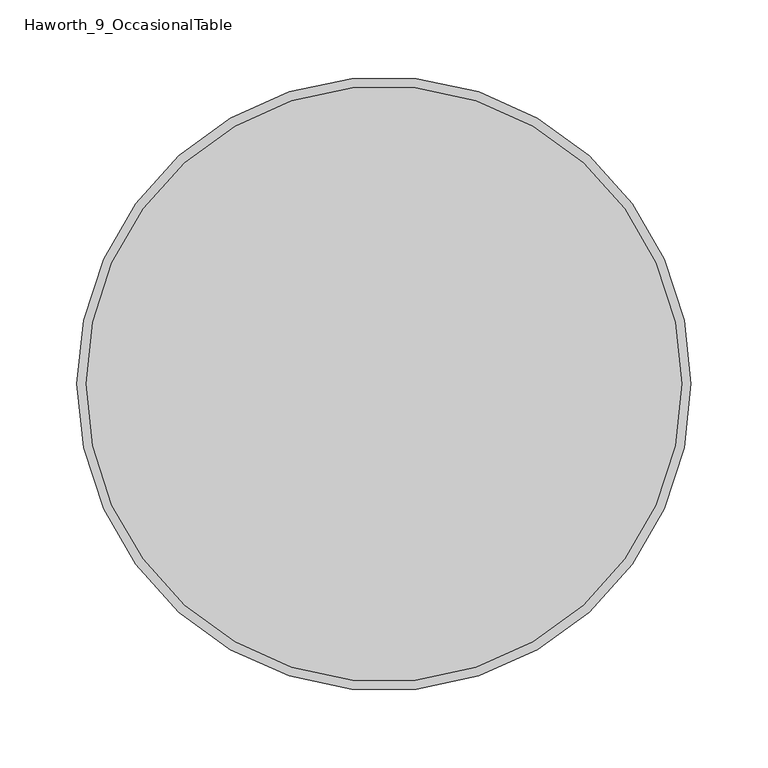
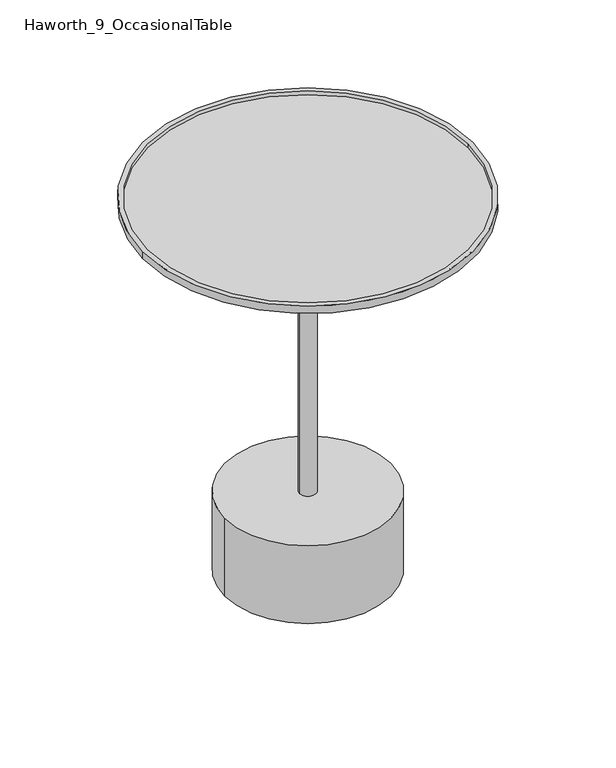
"""IFC4 building model written with IfcOpenShell, lengths in millimetres: furniture geometry, Haworth_9_OccasionalTable."""

import ifcopenshell
import ifcopenshell.guid

model = None  # the IFC model being written
_history = None  # IfcOwnerHistory: only IFC2X3 demands one
_inside = {}  # id of a spatial element -> (the spatial element, [elements in it])
_under = {}  # id of a project, library or spatial element -> (it, [spatial elements below it])
_declared = {}  # id of a project -> (the project, [libraries it declares])
_typed = {}  # id of a type object -> (the type object, [elements of that type])
_made_of = {}  # id of a material, layer set ... -> (it, [elements and type objects made of it])


def new_model(schema):
    """Start an empty IFC model of exactly this schema.

    Asked for "IFC4X3", IfcOpenShell would pick the latest addendum, in which some entities
    have other attributes; the version numbers below select the first issue.
    IFC2X3 requires an IfcOwnerHistory on every rooted entity: one is made here for all.
    """
    global model, _history
    if schema == "IFC4X3":
        model = ifcopenshell.file(schema_version=(4, 3, 0, 0))
    else:
        model = ifcopenshell.file(schema=schema)
    _inside.clear()
    _under.clear()
    _declared.clear()
    _typed.clear()
    _made_of.clear()
    _history = None
    if model.schema == "IFC2X3":
        org = make("IfcOrganization", Name="unknown")
        user = make(
            "IfcPersonAndOrganization",
            ThePerson=make("IfcPerson", FamilyName="unknown"),
            TheOrganization=org,
        )
        app = make(
            "IfcApplication",
            ApplicationDeveloper=org,
            Version="unknown",
            ApplicationFullName="unknown",
            ApplicationIdentifier="unknown",
        )
        _history = make(
            "IfcOwnerHistory",
            OwningUser=user,
            OwningApplication=app,
            ChangeAction="ADDED",
            CreationDate=0,
        )
    return model


def make(cls, **values):
    """One entity of the class cls with the attributes given. An attribute that is None is left unset."""
    return model.create_entity(
        cls, **{name: value for name, value in values.items() if value is not None}
    )


def rooted(cls, **values):
    """An entity with a GlobalId (a new one), such as an element, a storey or a relation."""
    return make(cls, GlobalId=ifcopenshell.guid.new(), OwnerHistory=_history, **values)


def si_unit(unit_type, name, prefix=None):
    """IfcSIUnit, for example si_unit("LENGTHUNIT", "METRE", prefix="MILLI")."""
    return make("IfcSIUnit", UnitType=unit_type, Prefix=prefix, Name=name)


def assignment(units):
    """IfcUnitAssignment: the units of a project."""
    return None if units is None else make("IfcUnitAssignment", Units=units)


def point(xyz):
    """IfcCartesianPoint."""
    return None if xyz is None else make("IfcCartesianPoint", Coordinates=xyz)


def direction(xyz):
    """IfcDirection."""
    return None if xyz is None else make("IfcDirection", DirectionRatios=xyz)


def frame(location, z_axis=None, x_axis=None):
    """IfcAxis2Placement3D, a coordinate frame: its origin and axes. An axis left out is left unset."""
    return make(
        "IfcAxis2Placement3D",
        Location=point(location),
        Axis=direction(z_axis),
        RefDirection=direction(x_axis),
    )


def frame_2d(location, x_axis=None):
    """IfcAxis2Placement2D, a coordinate frame in the plane: its origin and x axis."""
    return make(
        "IfcAxis2Placement2D", Location=point(location), RefDirection=direction(x_axis)
    )


def origin():
    """The frame at (0, 0, 0) with its axes left unset."""
    return frame((0.0, 0.0, 0.0))


def origin_with_axes():
    """The frame at (0, 0, 0) with the z axis (0, 0, 1) and the x axis (1, 0, 0) written out."""
    return frame((0.0, 0.0, 0.0), z_axis=(0.0, 0.0, 1.0), x_axis=(1.0, 0.0, 0.0))


def place(relative_to, where):
    """IfcLocalPlacement: puts the frame where relative to a parent placement (None: the world)."""
    return make(
        "IfcLocalPlacement", PlacementRelTo=relative_to, RelativePlacement=where
    )


def context(
    kind, dimensions, precision=None, world=None, true_north=None, identifier=None
):
    """IfcGeometricRepresentationContext, for example the 3D "Model" context."""
    return make(
        "IfcGeometricRepresentationContext",
        ContextIdentifier=identifier,
        ContextType=kind,
        CoordinateSpaceDimension=dimensions,
        Precision=precision,
        WorldCoordinateSystem=world,
        TrueNorth=true_north,
    )


def project(units=None, contexts=None):
    """IfcProject with its units and contexts."""
    return rooted(
        "IfcProject",
        Name="project",
        RepresentationContexts=contexts,
        UnitsInContext=assignment(units),
    )


def spatial(cls, under=None, at=None, **own):
    """A site, building, storey or space (cls), placed at a placement, below another one or the project."""
    s = rooted(cls, ObjectPlacement=at, **own)
    if under is not None:
        _under.setdefault(under.id(), (under, []))[1].append(s)
    return s


def polyline(points):
    """IfcPolyline through the points."""
    return make("IfcPolyline", Points=[point(p) for p in points])


def circle_curve(where, radius):
    """IfcCircle in the frame where."""
    return make("IfcCircle", Position=where, Radius=radius)


def ellipse_curve(where, semi_axis1, semi_axis2):
    """IfcEllipse in the frame where."""
    return make(
        "IfcEllipse", Position=where, SemiAxis1=semi_axis1, SemiAxis2=semi_axis2
    )


def trimmed(basis, trim1, trim2, sense, master):
    """IfcTrimmedCurve: the piece of a basis curve between two trims."""
    return make(
        "IfcTrimmedCurve",
        BasisCurve=basis,
        Trim1=trim1,
        Trim2=trim2,
        SenseAgreement=sense,
        MasterRepresentation=master,
    )


def segment(curve, same_sense, transition):
    """IfcCompositeCurveSegment."""
    return make(
        "IfcCompositeCurveSegment",
        Transition=transition,
        SameSense=same_sense,
        ParentCurve=curve,
    )


def composite_curve(segments, self_intersect=None):
    """IfcCompositeCurve: segments joined end to end."""
    return make("IfcCompositeCurve", Segments=segments, SelfIntersect=self_intersect)


def outline(outer, holes=None, kind="AREA"):
    """IfcArbitraryClosedProfileDef: a profile drawn as a closed curve; with holes, ...WithVoids."""
    if holes is None:
        return make("IfcArbitraryClosedProfileDef", ProfileType=kind, OuterCurve=outer)
    return make(
        "IfcArbitraryProfileDefWithVoids",
        ProfileType=kind,
        OuterCurve=outer,
        InnerCurves=holes,
    )


def extrude(swept, where, along, depth):
    """IfcExtrudedAreaSolid: the profile swept, set in the frame where, extruded along a direction by depth."""
    return make(
        "IfcExtrudedAreaSolid",
        SweptArea=swept,
        Position=where,
        ExtrudedDirection=direction(along),
        Depth=depth,
    )


def shape(context_of_items, identifier, shape_type, items):
    """IfcShapeRepresentation: the items that make up one representation, for example the "Body"."""
    return make(
        "IfcShapeRepresentation",
        ContextOfItems=context_of_items,
        RepresentationIdentifier=identifier,
        RepresentationType=shape_type,
        Items=items,
    )


def source(mapping_origin, context_of_items, identifier, shape_type, items):
    """IfcRepresentationMap: a shape defined once, which mapped items show again and again."""
    return make(
        "IfcRepresentationMap",
        MappingOrigin=mapping_origin,
        MappedRepresentation=shape(context_of_items, identifier, shape_type, items),
    )


def transform(
    local_origin,
    x_axis=None,
    y_axis=None,
    z_axis=None,
    scale=None,
    scale2=None,
    scale3=None,
    uniform=True,
):
    """IfcCartesianTransformationOperator3D, or its non-uniform kind. x_axis, y_axis, z_axis: its Axis1, 2, 3."""
    if uniform:
        return make(
            "IfcCartesianTransformationOperator3D",
            Axis1=direction(x_axis),
            Axis2=direction(y_axis),
            LocalOrigin=point(local_origin),
            Scale=scale,
            Axis3=direction(z_axis),
        )
    return make(
        "IfcCartesianTransformationOperator3DnonUniform",
        Axis1=direction(x_axis),
        Axis2=direction(y_axis),
        LocalOrigin=point(local_origin),
        Scale=scale,
        Axis3=direction(z_axis),
        Scale2=scale2,
        Scale3=scale3,
    )


def mapped(mapping_source, mapping_target):
    """IfcMappedItem: shows the shape of a source again, moved by a transform."""
    return make(
        "IfcMappedItem", MappingSource=mapping_source, MappingTarget=mapping_target
    )


def made_of(thing, what):
    """Note that an element or type object is made of a material, layer set ...; save() writes the relation."""
    if what is not None:
        _made_of.setdefault(what.id(), (what, []))[1].append(thing)
    return thing


def element(
    cls,
    number,
    at=None,
    inside=None,
    cuts=None,
    type_object=None,
    material=None,
    context=None,
    identifier="Body",
    shape_type=None,
    held_by="IfcProductDefinitionShape",
    body=None,
    shapes=None,
    **own,
):
    """One element of the class cls, such as IfcWall. Its Tag is "e" and its number.

    at: its placement. inside: the storey or other place that contains it. cuts: it is an
    opening in that element (IfcRelVoidsElement). A single representation is given by context,
    identifier, shape_type and body (its items); several are given by shapes. held_by: the class
    of the entity that holds the representations. save() writes the other relations.
    """
    e = rooted(cls, Tag="e%d" % number, ObjectPlacement=at, **own)
    if body is not None:
        shapes = [shape(context, identifier, shape_type, body)]
    if shapes is not None:
        e.Representation = make(held_by, Representations=shapes)
    if inside is not None:
        _inside.setdefault(inside.id(), (inside, []))[1].append(e)
    if cuts is not None:
        rooted(
            "IfcRelVoidsElement", RelatingBuildingElement=cuts, RelatedOpeningElement=e
        )
    if type_object is not None:
        _typed.setdefault(type_object.id(), (type_object, []))[1].append(e)
    return made_of(e, material)


def aggregate(whole, parts):
    """IfcRelAggregates: a whole, such as a stair, and the parts it consists of."""
    return rooted("IfcRelAggregates", RelatingObject=whole, RelatedObjects=parts)


def save(model, path):
    """Write the relations noted so far, then the file.

    IfcRelAggregates (storeys below a building ...), IfcRelContainedInSpatialStructure (elements
    in a storey), IfcRelDefinesByType, IfcRelAssociatesMaterial and IfcRelDeclares: one each for
    every whole, place, type object, material and project.
    """
    for whole, parts in _under.values():
        aggregate(whole, parts)
    for where, things in _inside.values():
        rooted(
            "IfcRelContainedInSpatialStructure",
            RelatedElements=things,
            RelatingStructure=where,
        )
    for kind, things in _typed.values():
        rooted("IfcRelDefinesByType", RelatedObjects=things, RelatingType=kind)
    for what, things in _made_of.values():
        rooted("IfcRelAssociatesMaterial", RelatedObjects=things, RelatingMaterial=what)
    for by, libraries in _declared.values():
        rooted("IfcRelDeclares", RelatingContext=by, RelatedDefinitions=libraries)
    model.write(path)


def plane_surface(at):
    """IfcPlane: the flat surface through the origin of the frame at, square to its z axis."""
    return make("IfcPlane", Position=at)


def cylinder_surface(at, radius):
    """IfcCylindricalSurface: all points at the distance radius from the z axis of the frame at."""
    return make("IfcCylindricalSurface", Position=at, Radius=radius)


def revolved_surface(curve, axis_point, axis_direction):
    """IfcSurfaceOfRevolution: the curve turned about the line through axis_point along axis_direction."""
    return make(
        "IfcSurfaceOfRevolution",
        SweptCurve=make("IfcArbitraryOpenProfileDef", ProfileType="CURVE", Curve=curve),
        AxisPosition=make("IfcAxis1Placement", Location=point(axis_point), Axis=direction(axis_direction)),
    )


def advanced_brep(points, edges, surfaces, faces):
    """IfcAdvancedBrep: a solid bounded by faces that lie on surfaces and meet in shared edges.

    An edge is (start, end): straight between two places in points (the first is 0);
    or (start, end, curve); or (start, end, curve, False) where it runs against its curve.
    A face is (place in surfaces, loops), or (place, loops, False) where it looks against
    its surface's normal. A loop lists edges by number (the first is 1), with a minus sign
    where the edge is run from its end to its start. The first loop is the outer one.
    """
    corners = [point(p) for p in points]
    vertices = [make("IfcVertexPoint", VertexGeometry=c) for c in corners]
    made = []
    for start, end, *more in edges:
        made.append(
            make(
                "IfcEdgeCurve",
                EdgeStart=vertices[start],
                EdgeEnd=vertices[end],
                EdgeGeometry=more[0] if more else make("IfcPolyline", Points=[corners[start], corners[end]]),
                SameSense=more[1] if len(more) > 1 else True,
            )
        )
    hull = []
    for where, loops, *sense in faces:
        bounds = []
        for j, loop in enumerate(loops):
            ring = [make("IfcOrientedEdge", EdgeElement=made[abs(k) - 1], Orientation=k > 0) for k in loop]
            bounds.append(
                make(
                    "IfcFaceOuterBound" if j == 0 else "IfcFaceBound",
                    Bound=make("IfcEdgeLoop", EdgeList=ring),
                    Orientation=True,
                )
            )
        hull.append(make("IfcAdvancedFace", Bounds=bounds, FaceSurface=surfaces[where], SameSense=sense[0] if sense else True))
    return make("IfcAdvancedBrep", Outer=make("IfcClosedShell", CfsFaces=hull))


def haworth_9_occasionaltable_2b392676(model_context):
    return source(origin(), model_context, "Body", "SolidModel", [
        advanced_brep(
        [(-311.4894208, -292.1, 458.2252728), (0.5988445, -292.1, 458.2252728), (43.9447118, -292.1, 468.9411912), (-354.8352882, -292.1, 468.9411912), (37.9917249, -292.1, 473.6110299), (-348.8823012, -292.1, 473.6110299), (-354.8352882, -292.1, 478.2441817), (43.9447118, -292.1, 478.2441817), (-348.8823012, -292.1, 478.2441817), (37.9917249, -292.1, 478.2441817)],
        [
            (0, 1, circle_curve(frame((-155.4452882, -292.1, 458.2252728), z_axis=(0.0, 0.0, -1.0), x_axis=(1.0, 0.0, 0.0)), 156.0441327)),
            (1, 0, circle_curve(frame((-155.4452882, -292.1, 458.2252728), z_axis=(0.0, 0.0, -1.0), x_axis=(-1.0, 0.0, 0.0)), 156.0441327)),
            (1, 2),
            (2, 3, circle_curve(frame((-155.4452882, -292.1, 468.9411912), z_axis=(0.0, 0.0, -1.0), x_axis=(-1.0, 0.0, 0.0)), 199.39)),
            (3, 0),
            (3, 2, circle_curve(frame((-155.4452882, -292.1, 468.9411912), z_axis=(0.0, 0.0, -1.0), x_axis=(1.0, 0.0, 0.0)), 199.39)),
            (4, 5, circle_curve(frame((-155.4452882, -292.1, 473.6110299), z_axis=(0.0, 0.0, 1.0), x_axis=(1.0, 0.0, 0.0)), 193.437013)),
            (5, 4, circle_curve(frame((-155.4452882, -292.1, 473.6110299), z_axis=(0.0, 0.0, 1.0), x_axis=(1.0, 0.0, 0.0)), 193.437013)),
            (6, 7, circle_curve(frame((-155.4452882, -292.1, 478.2441817), z_axis=(0.0, 0.0, 1.0), x_axis=(1.0, 0.0, 0.0)), 199.39)),
            (7, 6, circle_curve(frame((-155.4452882, -292.1, 478.2441817), z_axis=(0.0, 0.0, 1.0), x_axis=(1.0, 0.0, 0.0)), 199.39)),
            (8, 9, circle_curve(frame((-155.4452882, -292.1, 478.2441817), z_axis=(0.0, 0.0, -1.0), x_axis=(1.0, 0.0, 0.0)), 193.437013)),
            (9, 8, circle_curve(frame((-155.4452882, -292.1, 478.2441817), z_axis=(0.0, 0.0, -1.0), x_axis=(1.0, 0.0, 0.0)), 193.437013)),
            (6, 3),
            (2, 7),
            (8, 5),
            (4, 9),
        ],
        [
            plane_surface(frame((-155.4452882, -292.1, 458.2252728), z_axis=(0.0, 0.0, -1.0), x_axis=(0.0, -1.0, 0.0))),
            revolved_surface(polyline([(0.5988444146120457, -292.1, 458.2252728), (43.94471179999999, -292.1, 468.9411912)]), (-155.4452882, -292.1, 419.6482113), (0.0, 0.0, 1.0)),
            revolved_surface(polyline([(-311.489420814612, -292.1, 458.2252728), (-354.8352882, -292.1, 468.9411912)]), (-155.4452882, -292.1, 419.6482113), (0.0, 0.0, 1.0)),
            plane_surface(frame((37.9917249, -292.1, 473.6110299), z_axis=(0.0, 0.0, 1.0), x_axis=(0.0, 1.0, 0.0))),
            plane_surface(frame((43.9447118, -292.1, 478.2441817), z_axis=(0.0, 0.0, 1.0), x_axis=(0.0, 1.0, 0.0))),
            cylinder_surface(frame((-155.4452882, -292.1, 468.9411912), z_axis=(0.0, 0.0, 1.0), x_axis=(1.0, 0.0, 0.0)), 199.39),
            revolved_surface(polyline([(37.991724800000014, -292.1, 473.6110299), (37.991724800000014, -292.1, 478.2441817)]), (-155.4452882, -292.1, 0.0), (0.0, 0.0, -1.0)),
        ],
        [
            (0, [[1, 2]]),
            (1, [[-2, 3, 4, 5]]),
            (2, [[-1, -5, 6, -3]]),
            (3, [[7, 8]]),
            (4, [[9, 10], [11, 12]]),
            (5, [[-9, 13, -4, 14]]),
            (5, [[-10, -14, -6, -13]]),
            (6, [[-11, 15, -7, 16]]),
            (6, [[-12, -16, -8, -15]]),
        ],
    ),
        advanced_brep(
        [(-284.8188626, -292.1027186, 458.2252728), (-26.0717137, -292.1027186, 458.2252728), (-155.4452882, -292.1027186, 458.2252728), (-284.5696781, -292.1027186, 453.5091674), (-26.3208982, -292.1027186, 453.5091674), (-281.0894483, -292.1027186, 450.0065109), (-29.801128, -292.1027186, 450.0065109), (-165.4613858, -292.1027186, 443.1520286), (-145.4291905, -292.1027186, 443.1520286), (-155.4452882, -292.1027186, 443.1520286)],
        [
            (0, 1, circle_curve(frame((-155.4452882, -292.1027186, 458.2252728), z_axis=(0.0, 0.0, 1.0), x_axis=(1.0, 0.0, 0.0)), 129.3735745)),
            (1, 2),
            (2, 0),
            (1, 0, circle_curve(frame((-155.4452882, -292.1027186, 458.2252728), z_axis=(0.0, 0.0, 1.0), x_axis=(1.0, 0.0, 0.0)), 129.3735745)),
            (3, 4, circle_curve(frame((-155.4452882, -292.1027186, 453.5091674), z_axis=(0.0, 0.0, 1.0), x_axis=(1.0, 0.0, 0.0)), 129.12439)),
            (4, 1),
            (0, 3),
            (4, 3, circle_curve(frame((-155.4452882, -292.1027186, 453.5091674), z_axis=(0.0, 0.0, 1.0), x_axis=(1.0, 0.0, 0.0)), 129.12439)),
            (5, 6, circle_curve(frame((-155.4452882, -292.1027186, 450.0065109), z_axis=(0.0, 0.0, 1.0), x_axis=(1.0, 0.0, 0.0)), 125.6441602)),
            (6, 4, circle_curve(frame((-30.0203544, -292.1027186, 453.7046353), z_axis=(0.0, -1.0, 0.0), x_axis=(-1.0, 0.0, 0.0)), 3.7046166)),
            (3, 5, circle_curve(frame((-280.8702219, -292.1027186, 453.7046353), z_axis=(0.0, -1.0, 0.0), x_axis=(1.0, 0.0, 0.0)), 3.7046166)),
            (6, 5, circle_curve(frame((-155.4452882, -292.1027186, 450.0065109), z_axis=(0.0, 0.0, 1.0), x_axis=(1.0, 0.0, 0.0)), 125.6441602)),
            (7, 8, circle_curve(frame((-155.4452882, -292.1027186, 443.1520286), z_axis=(0.0, 0.0, 1.0), x_axis=(1.0, 0.0, 0.0)), 10.0160977)),
            (8, 6),
            (5, 7),
            (8, 7, circle_curve(frame((-155.4452882, -292.1027186, 443.1520286), z_axis=(0.0, 0.0, 1.0), x_axis=(1.0, 0.0, 0.0)), 10.0160977)),
            (9, 8),
            (7, 9),
        ],
        [
            plane_surface(frame((-155.4452882, -292.1027186, 458.2252728), z_axis=(0.0, 0.0, 1.0), x_axis=(1.0, 0.0, 0.0))),
            revolved_surface(polyline([(-26.0717137, -292.1027186, 458.2252728), (-26.3208982, -292.1027186, 453.5091674)]), (-155.4452882, -292.1027186, 458.2252728), (0.0, 0.0, -1.0)),
            revolved_surface(trimmed(ellipse_curve(frame((-30.0203544, -292.1027186, 453.7046353), z_axis=(0.0, 1.0, 0.0), x_axis=(-1.0, 0.0, 0.0)), 3.7046166, 3.7046166), [point((-26.3208982, -292.1027186, 453.5091674))], [point((-29.801128, -292.1027186, 450.0065109))], True, "CARTESIAN"), (-155.4452882, -292.1027186, 458.2252728), (0.0, 0.0, -1.0)),
            revolved_surface(polyline([(-29.801128, -292.1027186, 450.0065109), (-145.4291905, -292.1027186, 443.1520286)]), (-155.4452882, -292.1027186, 458.2252728), (0.0, 0.0, -1.0)),
            plane_surface(frame((-155.4452882, -292.1027186, 443.1520286), z_axis=(0.0, 0.0, -1.0), x_axis=(1.0, 0.0, 0.0))),
        ],
        [
            (0, [[1, 2, 3]]),
            (0, [[4, -3, -2]]),
            (1, [[5, 6, -1, 7]]),
            (1, [[8, -7, -4, -6]]),
            (2, [[9, 10, -5, 11]]),
            (2, [[12, -11, -8, -10]]),
            (3, [[13, 14, -9, 15]]),
            (3, [[16, -15, -12, -14]]),
            (4, [[17, -13, 18]]),
            (4, [[-18, -16, -17]]),
        ],
    ),
        extrude(outline(composite_curve([segment(trimmed(circle_curve(frame_2d((-155.4452882, -292.1)), 10.0160977), [point((-165.4613858, -292.1))], [point((-145.4291905, -292.1))], False, "CARTESIAN"), True, "CONTINUOUS"), segment(trimmed(circle_curve(frame_2d((-155.4452882, -292.1)), 10.0160977), [point((-145.4291905, -292.1))], [point((-165.4613858, -292.1))], False, "CARTESIAN"), True, "CONTINUOUS")], self_intersect=False)), frame((0.0, 0.0, 102.5745621), z_axis=(0.0, 0.0, 1.0), x_axis=(1.0, 0.0, 0.0)), (0.0, 0.0, 1.0), 340.5774665),
        extrude(outline(composite_curve([segment(trimmed(circle_curve(frame_2d((-155.4452882, -292.1)), 95.0996992), [point((-250.5449874, -292.1))], [point((-60.3455889, -292.1))], False, "CARTESIAN"), True, "CONTINUOUS"), segment(trimmed(circle_curve(frame_2d((-155.4452882, -292.1)), 95.0996992), [point((-60.3455889, -292.1))], [point((-250.5449874, -292.1))], False, "CARTESIAN"), True, "CONTINUOUS")], self_intersect=False)), origin_with_axes(), (0.0, 0.0, 1.0), 3.0065621),
        extrude(outline(composite_curve([segment(trimmed(circle_curve(frame_2d((-155.4452882, -292.1)), 100.2289836), [point((-255.6742718, -292.1))], [point((-55.2163045, -292.1))], False, "CARTESIAN"), True, "CONTINUOUS"), segment(trimmed(circle_curve(frame_2d((-155.4452882, -292.1)), 100.2289836), [point((-55.2163045, -292.1))], [point((-255.6742718, -292.1))], False, "CARTESIAN"), True, "CONTINUOUS")], self_intersect=False)), frame((0.0, 0.0, 3.0065621), z_axis=(0.0, 0.0, 1.0), x_axis=(1.0, 0.0, 0.0)), (0.0, 0.0, 1.0), 99.568),
    ])


if __name__ == "__main__":
    model = new_model("IFC4")
    model_context = context("Model", 3, world=origin())
    ifc_project = project(units=[si_unit("LENGTHUNIT", "METRE", prefix="MILLI")], contexts=[model_context])
    site = spatial("IfcSite", under=ifc_project)
    building = spatial("IfcBuilding", under=site)
    placement = place(None, origin())
    haworth_9_occasionaltable_shape = haworth_9_occasionaltable_2b392676(model_context)
    element("IfcFurniture", 1, ObjectType="Haworth_9_OccasionalTable", at=placement, inside=building, context=model_context, shape_type="MappedRepresentation", body=[
        mapped(haworth_9_occasionaltable_shape, transform((0.0, 0.0, 0.0), x_axis=(1.0, 0.0, 0.0), y_axis=(0.0, 1.0, 0.0), z_axis=(0.0, 0.0, 1.0))),
    ])
    save(model, "model.ifc")
